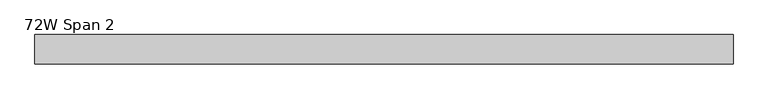
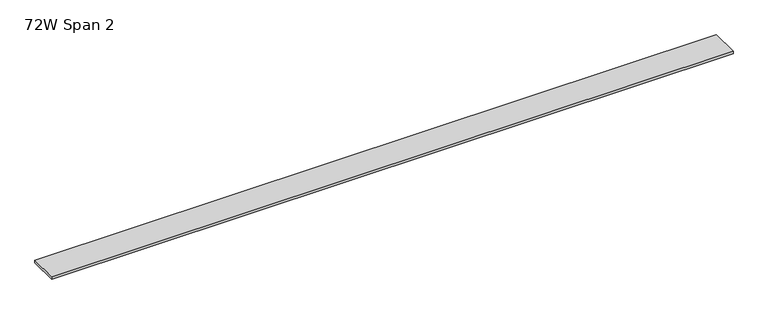
"""IFC4 building model written with IfcOpenShell, lengths in millimetres: furniture geometry, 72W Span 2."""

from ifc_helpers import new_model, si_unit, frame, origin, place, context, project, spatial, polyline, outline, extrude, source, transform, mapped, element, save


def furniture_72w_span_2_3eeb848e(model_context):
    return source(origin(), model_context, "Body", "SweptSolid", [
        extrude(outline(polyline([(858.41205, 38.735), (858.41205, -38.735), (-970.38795, -38.735), (-970.38795, 38.735), (858.41205, 38.735)])), frame((0.0, 0.0, 1048.766), z_axis=(0.0, 0.0, 1.0), x_axis=(1.0, 0.0, 0.0)), (0.0, 0.0, 1.0), 6.858),
    ])


if __name__ == "__main__":
    model = new_model("IFC4")
    model_context = context("Model", 3, world=origin())
    ifc_project = project(units=[si_unit("LENGTHUNIT", "METRE", prefix="MILLI")], contexts=[model_context])
    site = spatial("IfcSite", under=ifc_project)
    building = spatial("IfcBuilding", under=site)
    placement = place(None, origin())
    furniture_72w_span_2_shape = furniture_72w_span_2_3eeb848e(model_context)
    element("IfcFurniture", 1, ObjectType="72W Span 2", at=placement, inside=building, context=model_context, shape_type="MappedRepresentation", body=[
        mapped(furniture_72w_span_2_shape, transform((0.0, 0.0, 0.0), x_axis=(1.0, 0.0, 0.0), y_axis=(0.0, 1.0, 0.0), z_axis=(0.0, 0.0, 1.0))),
    ])
    save(model, "model.ifc")
